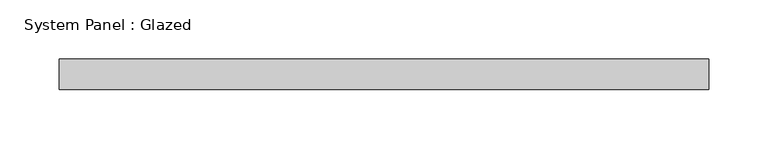
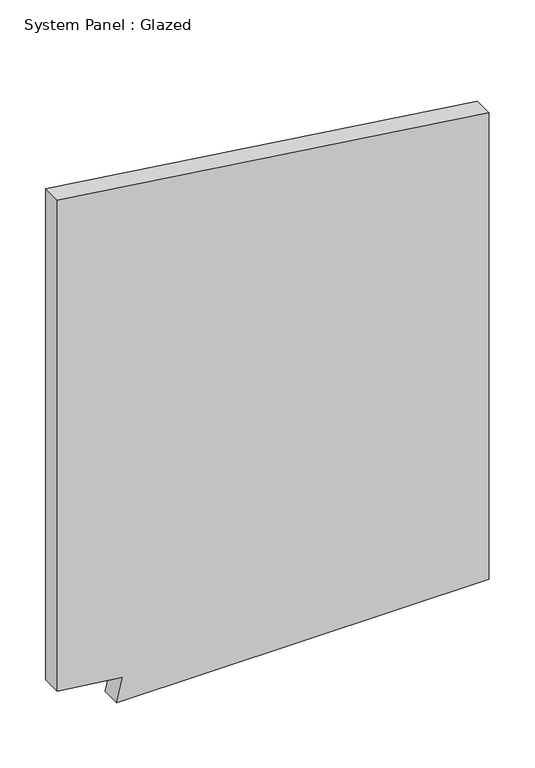
"""IFC4 building model written with IfcOpenShell, lengths in millimetres: plate geometry, System Panel : Glazed."""

import ifcopenshell
import ifcopenshell.guid

model = None  # the IFC model being written
_history = None  # IfcOwnerHistory: only IFC2X3 demands one
_inside = {}  # id of a spatial element -> (the spatial element, [elements in it])
_under = {}  # id of a project, library or spatial element -> (it, [spatial elements below it])
_declared = {}  # id of a project -> (the project, [libraries it declares])
_typed = {}  # id of a type object -> (the type object, [elements of that type])
_made_of = {}  # id of a material, layer set ... -> (it, [elements and type objects made of it])


def new_model(schema):
    """Start an empty IFC model of exactly this schema.

    Asked for "IFC4X3", IfcOpenShell would pick the latest addendum, in which some entities
    have other attributes; the version numbers below select the first issue.
    IFC2X3 requires an IfcOwnerHistory on every rooted entity: one is made here for all.
    """
    global model, _history
    if schema == "IFC4X3":
        model = ifcopenshell.file(schema_version=(4, 3, 0, 0))
    else:
        model = ifcopenshell.file(schema=schema)
    _inside.clear()
    _under.clear()
    _declared.clear()
    _typed.clear()
    _made_of.clear()
    _history = None
    if model.schema == "IFC2X3":
        org = make("IfcOrganization", Name="unknown")
        user = make(
            "IfcPersonAndOrganization",
            ThePerson=make("IfcPerson", FamilyName="unknown"),
            TheOrganization=org,
        )
        app = make(
            "IfcApplication",
            ApplicationDeveloper=org,
            Version="unknown",
            ApplicationFullName="unknown",
            ApplicationIdentifier="unknown",
        )
        _history = make(
            "IfcOwnerHistory",
            OwningUser=user,
            OwningApplication=app,
            ChangeAction="ADDED",
            CreationDate=0,
        )
    return model


def make(cls, **values):
    """One entity of the class cls with the attributes given. An attribute that is None is left unset."""
    return model.create_entity(
        cls, **{name: value for name, value in values.items() if value is not None}
    )


def rooted(cls, **values):
    """An entity with a GlobalId (a new one), such as an element, a storey or a relation."""
    return make(cls, GlobalId=ifcopenshell.guid.new(), OwnerHistory=_history, **values)


def si_unit(unit_type, name, prefix=None):
    """IfcSIUnit, for example si_unit("LENGTHUNIT", "METRE", prefix="MILLI")."""
    return make("IfcSIUnit", UnitType=unit_type, Prefix=prefix, Name=name)


def assignment(units):
    """IfcUnitAssignment: the units of a project."""
    return None if units is None else make("IfcUnitAssignment", Units=units)


def point(xyz):
    """IfcCartesianPoint."""
    return None if xyz is None else make("IfcCartesianPoint", Coordinates=xyz)


def direction(xyz):
    """IfcDirection."""
    return None if xyz is None else make("IfcDirection", DirectionRatios=xyz)


def frame(location, z_axis=None, x_axis=None):
    """IfcAxis2Placement3D, a coordinate frame: its origin and axes. An axis left out is left unset."""
    return make(
        "IfcAxis2Placement3D",
        Location=point(location),
        Axis=direction(z_axis),
        RefDirection=direction(x_axis),
    )


def origin():
    """The frame at (0, 0, 0) with its axes left unset."""
    return frame((0.0, 0.0, 0.0))


def place(relative_to, where):
    """IfcLocalPlacement: puts the frame where relative to a parent placement (None: the world)."""
    return make(
        "IfcLocalPlacement", PlacementRelTo=relative_to, RelativePlacement=where
    )


def context(
    kind, dimensions, precision=None, world=None, true_north=None, identifier=None
):
    """IfcGeometricRepresentationContext, for example the 3D "Model" context."""
    return make(
        "IfcGeometricRepresentationContext",
        ContextIdentifier=identifier,
        ContextType=kind,
        CoordinateSpaceDimension=dimensions,
        Precision=precision,
        WorldCoordinateSystem=world,
        TrueNorth=true_north,
    )


def project(units=None, contexts=None):
    """IfcProject with its units and contexts."""
    return rooted(
        "IfcProject",
        Name="project",
        RepresentationContexts=contexts,
        UnitsInContext=assignment(units),
    )


def spatial(cls, under=None, at=None, **own):
    """A site, building, storey or space (cls), placed at a placement, below another one or the project."""
    s = rooted(cls, ObjectPlacement=at, **own)
    if under is not None:
        _under.setdefault(under.id(), (under, []))[1].append(s)
    return s


def polyline(points):
    """IfcPolyline through the points."""
    return make("IfcPolyline", Points=[point(p) for p in points])


def outline(outer, holes=None, kind="AREA"):
    """IfcArbitraryClosedProfileDef: a profile drawn as a closed curve; with holes, ...WithVoids."""
    if holes is None:
        return make("IfcArbitraryClosedProfileDef", ProfileType=kind, OuterCurve=outer)
    return make(
        "IfcArbitraryProfileDefWithVoids",
        ProfileType=kind,
        OuterCurve=outer,
        InnerCurves=holes,
    )


def extrude(swept, where, along, depth):
    """IfcExtrudedAreaSolid: the profile swept, set in the frame where, extruded along a direction by depth."""
    return make(
        "IfcExtrudedAreaSolid",
        SweptArea=swept,
        Position=where,
        ExtrudedDirection=direction(along),
        Depth=depth,
    )


def shape(context_of_items, identifier, shape_type, items):
    """IfcShapeRepresentation: the items that make up one representation, for example the "Body"."""
    return make(
        "IfcShapeRepresentation",
        ContextOfItems=context_of_items,
        RepresentationIdentifier=identifier,
        RepresentationType=shape_type,
        Items=items,
    )


def source(mapping_origin, context_of_items, identifier, shape_type, items):
    """IfcRepresentationMap: a shape defined once, which mapped items show again and again."""
    return make(
        "IfcRepresentationMap",
        MappingOrigin=mapping_origin,
        MappedRepresentation=shape(context_of_items, identifier, shape_type, items),
    )


def transform(
    local_origin,
    x_axis=None,
    y_axis=None,
    z_axis=None,
    scale=None,
    scale2=None,
    scale3=None,
    uniform=True,
):
    """IfcCartesianTransformationOperator3D, or its non-uniform kind. x_axis, y_axis, z_axis: its Axis1, 2, 3."""
    if uniform:
        return make(
            "IfcCartesianTransformationOperator3D",
            Axis1=direction(x_axis),
            Axis2=direction(y_axis),
            LocalOrigin=point(local_origin),
            Scale=scale,
            Axis3=direction(z_axis),
        )
    return make(
        "IfcCartesianTransformationOperator3DnonUniform",
        Axis1=direction(x_axis),
        Axis2=direction(y_axis),
        LocalOrigin=point(local_origin),
        Scale=scale,
        Axis3=direction(z_axis),
        Scale2=scale2,
        Scale3=scale3,
    )


def mapped(mapping_source, mapping_target):
    """IfcMappedItem: shows the shape of a source again, moved by a transform."""
    return make(
        "IfcMappedItem", MappingSource=mapping_source, MappingTarget=mapping_target
    )


def made_of(thing, what):
    """Note that an element or type object is made of a material, layer set ...; save() writes the relation."""
    if what is not None:
        _made_of.setdefault(what.id(), (what, []))[1].append(thing)
    return thing


def element(
    cls,
    number,
    at=None,
    inside=None,
    cuts=None,
    type_object=None,
    material=None,
    context=None,
    identifier="Body",
    shape_type=None,
    held_by="IfcProductDefinitionShape",
    body=None,
    shapes=None,
    **own,
):
    """One element of the class cls, such as IfcWall. Its Tag is "e" and its number.

    at: its placement. inside: the storey or other place that contains it. cuts: it is an
    opening in that element (IfcRelVoidsElement). A single representation is given by context,
    identifier, shape_type and body (its items); several are given by shapes. held_by: the class
    of the entity that holds the representations. save() writes the other relations.
    """
    e = rooted(cls, Tag="e%d" % number, ObjectPlacement=at, **own)
    if body is not None:
        shapes = [shape(context, identifier, shape_type, body)]
    if shapes is not None:
        e.Representation = make(held_by, Representations=shapes)
    if inside is not None:
        _inside.setdefault(inside.id(), (inside, []))[1].append(e)
    if cuts is not None:
        rooted(
            "IfcRelVoidsElement", RelatingBuildingElement=cuts, RelatedOpeningElement=e
        )
    if type_object is not None:
        _typed.setdefault(type_object.id(), (type_object, []))[1].append(e)
    return made_of(e, material)


def aggregate(whole, parts):
    """IfcRelAggregates: a whole, such as a stair, and the parts it consists of."""
    return rooted("IfcRelAggregates", RelatingObject=whole, RelatedObjects=parts)


def save(model, path):
    """Write the relations noted so far, then the file.

    IfcRelAggregates (storeys below a building ...), IfcRelContainedInSpatialStructure (elements
    in a storey), IfcRelDefinesByType, IfcRelAssociatesMaterial and IfcRelDeclares: one each for
    every whole, place, type object, material and project.
    """
    for whole, parts in _under.values():
        aggregate(whole, parts)
    for where, things in _inside.values():
        rooted(
            "IfcRelContainedInSpatialStructure",
            RelatedElements=things,
            RelatingStructure=where,
        )
    for kind, things in _typed.values():
        rooted("IfcRelDefinesByType", RelatedObjects=things, RelatingType=kind)
    for what, things in _made_of.values():
        rooted("IfcRelAssociatesMaterial", RelatedObjects=things, RelatingMaterial=what)
    for by, libraries in _declared.values():
        rooted("IfcRelDeclares", RelatingContext=by, RelatedDefinitions=libraries)
    model.write(path)


def system_panel_glazed_d3849a78(model_context):
    return source(origin(), model_context, "Body", "SweptSolid", [
        extrude(outline(polyline([(0.0, -197.8054718), (0.0, 273.05), (623.0595585, 273.05), (697.5646273, -273.05), (41.5276383, -273.05), (31.2709791, -190.0204737), (0.0, -197.8054718)])), frame((0.0, 19.05, 0.0), z_axis=(0.0, 1.0, 0.0), x_axis=(0.0, 0.0, 1.0)), (0.0, 0.0, 1.0), 25.4),
    ])


if __name__ == "__main__":
    model = new_model("IFC4")
    model_context = context("Model", 3, world=origin())
    ifc_project = project(units=[si_unit("LENGTHUNIT", "METRE", prefix="MILLI")], contexts=[model_context])
    site = spatial("IfcSite", under=ifc_project)
    building = spatial("IfcBuilding", under=site)
    placement = place(None, origin())
    system_panel_glazed_shape = system_panel_glazed_d3849a78(model_context)
    element("IfcPlate", 1, ObjectType="System Panel : Glazed", at=placement, inside=building, context=model_context, shape_type="MappedRepresentation", body=[
        mapped(system_panel_glazed_shape, transform((0.0, 0.0, 0.0), x_axis=(1.0, 0.0, 0.0), y_axis=(0.0, 1.0, 0.0), z_axis=(0.0, 0.0, 1.0))),
    ])
    save(model, "model.ifc")
